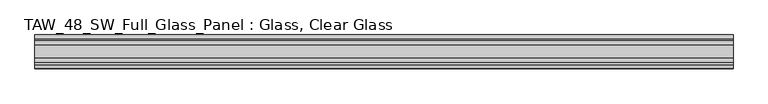
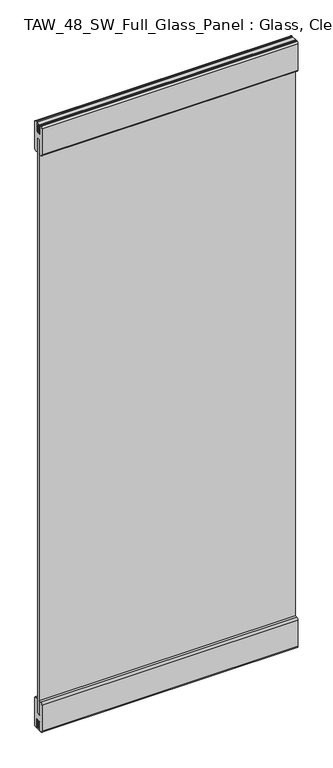
"""IFC4 building model written with IfcOpenShell, lengths in millimetres: plate geometry, TAW_48_SW_Full_Glass_Panel : Glass, Clear Glass."""

from ifc_helpers import new_model, si_unit, point, frame, frame_2d, origin, place, context, project, spatial, polyline, circle_curve, trimmed, segment, composite_curve, outline, extrude, source, transform, mapped, element, save


def taw_48_sw_full_glass_panel_glass_clear_glass_500146e3(model_context):
    return source(origin(), model_context, "Body", "SweptSolid", [
        extrude(outline(polyline([(499.9966094, 5.0), (499.9966094, -5.0), (-499.9966094, -5.0), (-499.9966094, 5.0), (499.9966094, 5.0)])), frame((0.0, 0.0, 65.5028724), z_axis=(0.0, 0.0, 1.0), x_axis=(1.0, 0.0, 0.0)), (0.0, 0.0, 1.0), 2369.1638255),
        extrude(outline(composite_curve([segment(polyline([(6.0, 123.0), (16.7, 123.0)]), True, "CONTINUOUS"), segment(trimmed(circle_curve(frame_2d((16.7, 115.7)), 7.3), [point((16.7, 123.0))], [point((24.0, 115.7))], False, "CARTESIAN"), True, "CONTINUOUS"), segment(polyline([(24.0, 115.7), (24.0, 7.2006944)]), True, "CONTINUOUS"), segment(trimmed(circle_curve(frame_2d((16.7, 7.2006944)), 7.3), [point((24.0, 7.2006944))], [point((17.9, 0.0))], False, "CARTESIAN"), True, "CONTINUOUS"), segment(polyline([(17.9, 0.0), (15.5529859, 0.0), (15.5529859, 2.1027745), (10.0, 2.1027745), (10.0, 38.0), (-10.0, 38.0), (-10.0, 2.1027745), (-15.0493747, 2.1027745), (-15.0493747, 0.0), (-18.4598098, 0.0)]), True, "CONTINUOUS"), segment(trimmed(circle_curve(frame_2d((-16.55, 7.2010504)), 7.45), [point((-18.4598098, 0.0))], [point((-24.0, 7.2010504))], False, "CARTESIAN"), True, "CONTINUOUS"), segment(polyline([(-24.0, 7.2010504), (-24.0, 115.55)]), True, "CONTINUOUS"), segment(trimmed(circle_curve(frame_2d((-16.55, 115.55)), 7.45), [point((-24.0, 115.55))], [point((-16.55, 123.0))], False, "CARTESIAN"), True, "CONTINUOUS"), segment(polyline([(-16.55, 123.0), (-6.0, 123.0), (-6.0, 121.4010504), (-9.5, 121.4010504), (-9.5, 65.5028724), (9.5, 65.5028724), (9.5, 121.2506944), (6.0, 121.2506944), (6.0, 123.0)]), True, "CONTINUOUS")], self_intersect=False)), frame((-499.9966094, 0.0, 0.0), z_axis=(1.0, 0.0, 0.0), x_axis=(0.0, 1.0, 0.0)), (0.0, 0.0, 1.0), 999.9932188),
        extrude(outline(polyline([(9.0, 2500.0), (9.0, 2461.2139286), (5.0, 2461.2139286), (5.0, 2496.0), (-5.0, 2496.0), (-5.0, 2461.2139286), (-9.0, 2461.2139286), (-9.0, 2500.0), (9.0, 2500.0)])), frame((-499.9966094, 0.0, 0.0), z_axis=(1.0, 0.0, 0.0), x_axis=(0.0, 1.0, 0.0)), (0.0, 0.0, 1.0), 999.9932188),
        extrude(outline(polyline([(-9.0, 0.0), (-9.0, 38.0), (-5.0, 38.0), (-5.0, 4.0), (5.0, 4.0), (5.0, 38.0), (9.0, 38.0), (9.0, 0.0), (-9.0, 0.0)])), frame((-499.9966094, 0.0, 0.0), z_axis=(1.0, 0.0, 0.0), x_axis=(0.0, 1.0, 0.0)), (0.0, 0.0, 1.0), 999.9932188),
        extrude(outline(composite_curve([segment(polyline([(-6.0, 2377.0), (-16.7, 2377.0)]), True, "CONTINUOUS"), segment(trimmed(circle_curve(frame_2d((-16.7, 2384.3)), 7.3), [point((-16.7, 2377.0))], [point((-24.0, 2384.3))], False, "CARTESIAN"), True, "CONTINUOUS"), segment(polyline([(-24.0, 2384.3), (-24.0, 2492.9688758)]), True, "CONTINUOUS"), segment(trimmed(circle_curve(frame_2d((-16.7, 2492.9688758)), 7.3), [point((-24.0, 2492.9688758))], [point((-18.6629804, 2500.0))], False, "CARTESIAN"), True, "CONTINUOUS"), segment(polyline([(-18.6629804, 2500.0), (-16.0197946, 2500.0), (-16.0197946, 2498.0667957), (-9.5, 2498.0667957), (-9.5, 2461.0667957), (9.5, 2461.0667957), (9.5, 2498.0667957), (16.0197946, 2498.0667957), (16.0197946, 2500.0), (18.6629804, 2500.0)]), True, "CONTINUOUS"), segment(trimmed(circle_curve(frame_2d((16.7, 2492.9688758)), 7.3), [point((18.6629804, 2500.0))], [point((24.0, 2492.9688758))], False, "CARTESIAN"), True, "CONTINUOUS"), segment(polyline([(24.0, 2492.9688758), (24.0, 2384.3)]), True, "CONTINUOUS"), segment(trimmed(circle_curve(frame_2d((16.7, 2384.3)), 7.3), [point((24.0, 2384.3))], [point((16.7, 2377.0))], False, "CARTESIAN"), True, "CONTINUOUS"), segment(polyline([(16.7, 2377.0), (6.0, 2377.0), (6.0, 2378.9188758), (9.5, 2378.9188758), (9.5, 2434.6666978), (-9.5, 2434.6666978), (-9.5, 2378.9188758), (-6.0, 2378.9188758), (-6.0, 2377.0)]), True, "CONTINUOUS")], self_intersect=False)), frame((-499.9966094, 0.0, 0.0), z_axis=(1.0, 0.0, 0.0), x_axis=(0.0, 1.0, 0.0)), (0.0, 0.0, 1.0), 999.9932188),
    ])


if __name__ == "__main__":
    model = new_model("IFC4")
    model_context = context("Model", 3, world=origin())
    ifc_project = project(units=[si_unit("LENGTHUNIT", "METRE", prefix="MILLI")], contexts=[model_context])
    site = spatial("IfcSite", under=ifc_project)
    building = spatial("IfcBuilding", under=site)
    placement = place(None, origin())
    taw_48_sw_full_glass_panel_glass_clear_glass_shape = taw_48_sw_full_glass_panel_glass_clear_glass_500146e3(model_context)
    element("IfcPlate", 1, ObjectType="TAW_48_SW_Full_Glass_Panel : Glass, Clear Glass", at=placement, inside=building, context=model_context, shape_type="MappedRepresentation", body=[
        mapped(taw_48_sw_full_glass_panel_glass_clear_glass_shape, transform((0.0, 0.0, 0.0), x_axis=(1.0, 0.0, 0.0), y_axis=(0.0, 1.0, 0.0), z_axis=(0.0, 0.0, 1.0))),
    ])
    save(model, "model.ifc")
